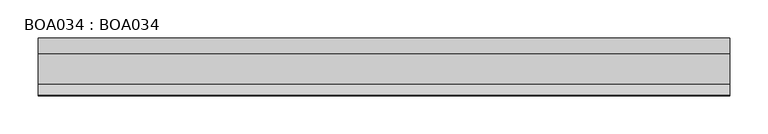
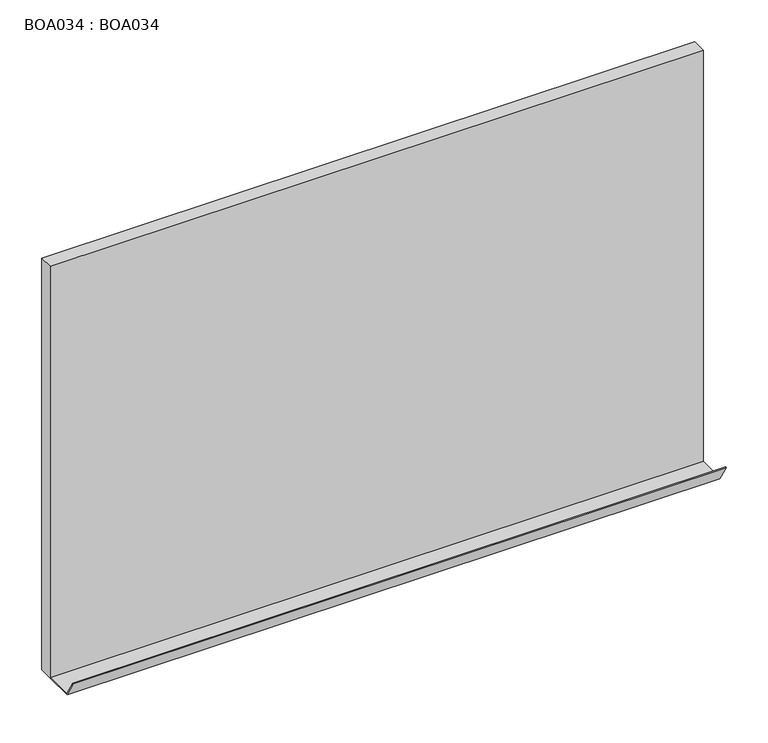
"""IFC4 building model written with IfcOpenShell, lengths in millimetres: proxy geometry, BOA034 : BOA034."""

from ifc_helpers import new_model, si_unit, frame, origin, origin_with_axes, place, context, project, spatial, polyline, outline, extrude, source, transform, mapped, element, save


def boa034_boa034_aaaa3e10(model_context):
    return source(origin(), model_context, "Body", "SweptSolid", [
        extrude(outline(polyline([(900.0000069, 0.0), (900.0000069, -20.0000011), (0.0, -20.0000011), (0.0, 0.0), (900.0000069, 0.0)])), origin_with_axes(), (0.0, 0.0, 1.0), 600.0),
        extrude(outline(polyline([(-59.9999986, 0.0), (-75.0000006, 25.0000002), (-74.1323636, 25.5205824), (-59.3957723, 0.9595998), (-20.0000011, 0.9595998), (-20.0000011, 0.0), (-59.9999986, 0.0)])), frame((0.0, 0.0, 0.0), z_axis=(1.0, 0.0, 0.0), x_axis=(0.0, 1.0, 0.0)), (0.0, 0.0, 1.0), 900.0000069),
    ])


if __name__ == "__main__":
    model = new_model("IFC4")
    model_context = context("Model", 3, world=origin())
    ifc_project = project(units=[si_unit("LENGTHUNIT", "METRE", prefix="MILLI")], contexts=[model_context])
    site = spatial("IfcSite", under=ifc_project)
    building = spatial("IfcBuilding", under=site)
    placement = place(None, origin())
    boa034_boa034_shape = boa034_boa034_aaaa3e10(model_context)
    element("IfcBuildingElementProxy", 1, Name="BOA034 : BOA034", ObjectType="BOA034 : BOA034", at=placement, inside=building, context=model_context, shape_type="MappedRepresentation", body=[
        mapped(boa034_boa034_shape, transform((0.0, 0.0, 0.0), x_axis=(1.0, 0.0, 0.0), y_axis=(0.0, 1.0, 0.0), z_axis=(0.0, 0.0, 1.0))),
    ])
    save(model, "model.ifc")
